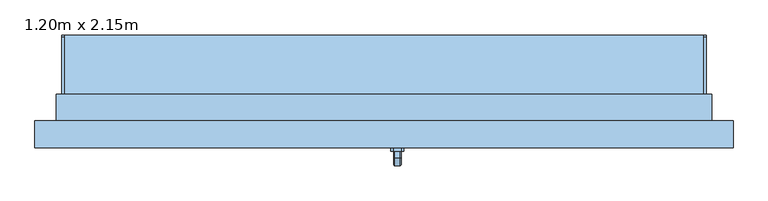
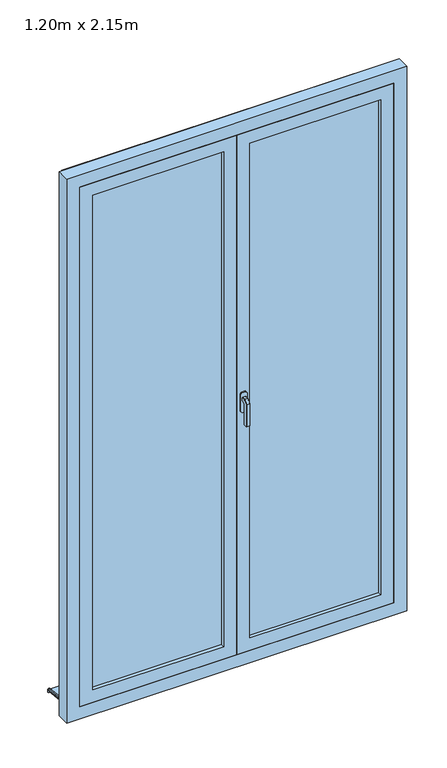
"""IFC4 building model written with IfcOpenShell, lengths in millimetres: window geometry, 1.20m x 2.15m."""

from ifc_helpers import new_model, si_unit, point, frame, frame_2d, origin, place, context, project, spatial, polyline, circle_curve, trimmed, segment, composite_curve, outline, extrude, faceted_brep, source, transform, mapped, element, save


def window_1_20m_x_2_15m_2b5af896(model_context):
    return source(origin(), model_context, "Body", "SolidModel", [
        faceted_brep([(30.6460097, -106.0, 1122.0339292), (32.0339292, -106.0, 1120.6460097), (32.0339292, -106.0, 1109.3323012), (30.6676988, -106.0, 1107.9660708), (19.3323012, -106.0, 1107.9660708), (17.9660708, -106.0, 1109.3323012), (17.9660708, -106.0, 1120.6460097), (19.3539903, -106.0, 1122.0339292), (30.6460097, -118.9135489, 1122.0339292), (32.0339292, -118.3386538, 1120.6460097), (32.0339292, -131.6460097, 1107.3386538), (32.0339292, -131.6460097, 1020.0), (32.0339292, -120.3323012, 1020.0), (32.0339292, -120.3323012, 1102.6523623), (32.0339292, -113.6523623, 1109.3323012), (30.6676988, -113.0864511, 1107.9660708), (19.3323012, -113.0864511, 1107.9660708), (17.9660708, -113.6523623, 1109.3323012), (17.9660708, -120.3323012, 1102.6523623), (17.9660708, -120.3323012, 1020.0), (17.9660708, -131.6460097, 1020.0), (17.9660708, -131.6460097, 1107.3386538), (17.9660708, -118.3386538, 1120.6460097), (19.3539903, -118.9135489, 1122.0339292), (30.6460097, -133.0339292, 1107.9135489), (30.6676988, -118.9660708, 1102.0864511), (19.3323012, -118.9660708, 1102.0864511), (19.3539903, -133.0339292, 1107.9135489), (30.6460097, -133.0339292, 1020.0), (19.3539903, -133.0339292, 1020.0), (19.3323012, -118.9660708, 1020.0), (30.6676988, -118.9660708, 1020.0)], [[[0, 1, 2, 3, 4, 5, 6, 7]], [[1, 0, 8, 9]], [[2, 1, 9, 10, 11, 12, 13, 14]], [[3, 2, 14, 15]], [[4, 3, 15, 16]], [[5, 4, 16, 17]], [[6, 5, 17, 18, 19, 20, 21, 22]], [[7, 6, 22, 23]], [[0, 7, 23, 8]], [[9, 8, 24, 10]], [[15, 14, 13, 25]], [[16, 15, 25, 26]], [[17, 16, 26, 18]], [[23, 22, 21, 27]], [[8, 23, 27, 24]], [[28, 29, 20, 19, 30, 31, 12, 11]], [[10, 24, 28, 11]], [[25, 13, 12, 31]], [[26, 25, 31, 30]], [[18, 26, 30, 19]], [[27, 21, 20, 29]], [[24, 27, 29, 28]]]),
        extrude(outline(polyline([(1140.0, 32.0), (1140.0, 18.0), (1135.0, 13.0), (1065.0, 13.0), (1060.0, 18.0), (1060.0, 32.0), (1065.0, 37.0), (1135.0, 37.0), (1140.0, 32.0)])), frame((0.0, -106.0, 0.0), z_axis=(0.0, 1.0, 0.0), x_axis=(0.0, 0.0, 1.0)), (0.0, 0.0, 1.0), 6.0),
        extrude(outline(polyline([(110.0288776, 26.588626), (110.0288776, 15.5104235), (105.0288776, 16.0359447), (105.0288776, 21.8589354), (-20.0, 35.0), (-20.0, 50.0), (-15.0, 50.0), (-15.0, 39.7296906), (110.0288776, 26.588626)])), frame((-600.0, 0.0, 0.0), z_axis=(1.0, 0.0, 0.0), x_axis=(0.0, 1.0, 0.0)), (0.0, 0.0, 1.0), 1200.0),
        extrude(outline(composite_curve([segment(polyline([(110.0288776, 26.588626), (-15.0, 39.7296906), (-15.0, 44.757232), (106.4469915, 31.9926388)]), True, "CONTINUOUS"), segment(trimmed(circle_curve(frame_2d((106.0288776, 28.0145512)), 4.0), [point((106.4469915, 31.9926388))], [point((110.0288776, 28.0145512))], False, "CARTESIAN"), True, "CONTINUOUS"), segment(polyline([(110.0288776, 28.0145512), (110.0288776, 26.588626)]), True, "CONTINUOUS")], self_intersect=False)), frame((-600.0, 0.0, 0.0), z_axis=(1.0, 0.0, 0.0), x_axis=(0.0, 1.0, 0.0)), (0.0, 0.0, 1.0), 5.0),
        extrude(outline(composite_curve([segment(polyline([(110.0288776, 26.588626), (-15.0, 39.7296906), (-15.0, 44.757232), (106.4469915, 31.9926388)]), True, "CONTINUOUS"), segment(trimmed(circle_curve(frame_2d((106.0288776, 28.0145512)), 4.0), [point((106.4469915, 31.9926388))], [point((110.0288776, 28.0145512))], False, "CARTESIAN"), True, "CONTINUOUS"), segment(polyline([(110.0288776, 28.0145512), (110.0288776, 26.588626)]), True, "CONTINUOUS")], self_intersect=False)), frame((595.0, 0.0, 0.0), z_axis=(1.0, 0.0, 0.0), x_axis=(0.0, 1.0, 0.0)), (0.0, 0.0, 1.0), 5.0),
        extrude(outline(polyline([(85.0, 0.0), (2185.0, 0.0), (2185.0, -600.0), (85.0, -600.0), (85.0, 0.0)]), holes=[polyline([(135.0, -550.0), (2135.0, -550.0), (2135.0, -50.0), (135.0, -50.0), (135.0, -550.0)])]), frame((0.0, -100.0, 0.0), z_axis=(0.0, 1.0, 0.0), x_axis=(0.0, 0.0, 1.0)), (0.0, 0.0, 1.0), 40.0),
        extrude(outline(polyline([(50.0, -74.0), (550.0, -74.0), (550.0, -86.0), (50.0, -86.0), (50.0, -74.0)])), frame((0.0, 0.0, 135.0), z_axis=(0.0, 0.0, 1.0), x_axis=(1.0, 0.0, 0.0)), (0.0, 0.0, 1.0), 2000.0),
        extrude(outline(polyline([(-550.0, -74.0), (-50.0, -74.0), (-50.0, -86.0), (-550.0, -86.0), (-550.0, -74.0)])), frame((0.0, 0.0, 135.0), z_axis=(0.0, 0.0, 1.0), x_axis=(1.0, 0.0, 0.0)), (0.0, 0.0, 1.0), 2000.0),
        extrude(outline(polyline([(85.0, 600.0), (2185.0, 600.0), (2185.0, 0.0), (85.0, 0.0), (85.0, 600.0)]), holes=[polyline([(135.0, 50.0), (2135.0, 50.0), (2135.0, 550.0), (135.0, 550.0), (135.0, 50.0)])]), frame((0.0, -100.0, 0.0), z_axis=(0.0, 1.0, 0.0), x_axis=(0.0, 0.0, 1.0)), (0.0, 0.0, 1.0), 40.0),
        faceted_brep([(-650.0, -100.0, 35.0), (-650.0, -50.0, 35.0), (-600.0, -50.0, 35.0), (-600.0, -20.0, 35.0), (600.0, -20.0, 35.0), (600.0, -50.0, 35.0), (650.0, -50.0, 35.0), (650.0, -100.0, 35.0), (-650.0, -100.0, 2235.0), (-650.0, -50.0, 2235.0), (650.0, -50.0, 2235.0), (600.0, -50.0, 74.3761425), (-600.0, -50.0, 74.3761425), (-585.0, -50.0, 2170.0), (-585.0, -50.0, 100.0), (585.0, -50.0, 100.0), (585.0, -50.0, 2170.0), (-600.0, 0.0, 60.9786829), (-600.0, 0.0, 45.0), (-600.0, -10.0, 45.0), (-600.0, -10.0, 50.0), (-600.0, -20.0, 50.0), (600.0, -20.0, 50.0), (600.0, -10.0, 50.0), (600.0, -10.0, 45.0), (600.0, 0.0, 45.0), (600.0, 0.0, 60.9786829), (650.0, -100.0, 2235.0), (600.0, -100.0, 2185.0), (600.0, -100.0, 85.0), (-600.0, -100.0, 85.0), (-600.0, -100.0, 2185.0), (-585.0, -60.0, 2170.0), (-585.0, -60.0, 100.0), (585.0, -60.0, 100.0), (585.0, -60.0, 2170.0), (600.0, -60.0, 2185.0), (-600.0, -60.0, 2185.0), (-600.0, -60.0, 85.0), (600.0, -60.0, 85.0)], [[[0, 1, 2, 3, 4, 5, 6, 7]], [[1, 0, 8, 9]], [[1, 9, 10, 6, 5, 11, 12, 2], [13, 14, 15, 16]], [[12, 17, 18, 19, 20, 21, 3, 2]], [[3, 21, 22, 4]], [[4, 22, 23, 24, 25, 26, 11, 5]], [[6, 10, 27, 7]], [[0, 7, 27, 8], [28, 29, 30, 31]], [[13, 32, 33, 14]], [[33, 34, 15, 14]], [[35, 16, 15, 34]], [[17, 12, 11, 26]], [[36, 37, 38, 39], [32, 35, 34, 33]], [[38, 37, 31, 30]], [[30, 29, 39, 38]], [[28, 36, 39, 29]], [[18, 17, 26, 25]], [[19, 18, 25, 24]], [[20, 19, 24, 23]], [[21, 20, 23, 22]], [[13, 16, 35, 32]], [[37, 36, 28, 31]], [[10, 9, 8, 27]]]),
        extrude(outline(polyline([(35.0, -610.0), (35.0, -600.0), (2185.0, -600.0), (2185.0, 600.0), (35.0, 600.0), (35.0, 610.0), (2195.0, 610.0), (2195.0, -610.0), (35.0, -610.0)])), frame((0.0, -50.0, 0.0), z_axis=(0.0, 1.0, 0.0), x_axis=(0.0, 0.0, 1.0)), (0.0, 0.0, 1.0), 50.0),
        extrude(outline(polyline([(20.0, -52.0), (20.0, -60.0), (-20.0, -60.0), (-20.0, -52.0), (20.0, -52.0)])), frame((0.0, 0.0, 100.0), z_axis=(0.0, 0.0, 1.0), x_axis=(1.0, 0.0, 0.0)), (0.0, 0.0, 1.0), 2070.0),
    ])


if __name__ == "__main__":
    model = new_model("IFC4")
    model_context = context("Model", 3, world=origin())
    ifc_project = project(units=[si_unit("LENGTHUNIT", "METRE", prefix="MILLI")], contexts=[model_context])
    site = spatial("IfcSite", under=ifc_project)
    building = spatial("IfcBuilding", under=site)
    placement = place(None, origin())
    window_1_20m_x_2_15m_shape = window_1_20m_x_2_15m_2b5af896(model_context)
    element("IfcWindow", 1, ObjectType="1.20m x 2.15m", at=placement, inside=building, context=model_context, shape_type="MappedRepresentation", body=[
        mapped(window_1_20m_x_2_15m_shape, transform((0.0, 0.0, 0.0), x_axis=(1.0, 0.0, 0.0), y_axis=(0.0, 1.0, 0.0), z_axis=(0.0, 0.0, 1.0))),
    ])
    save(model, "model.ifc")
